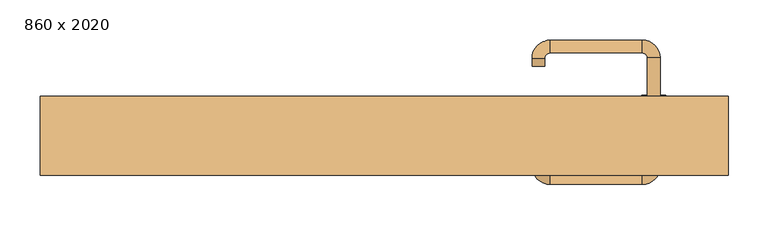
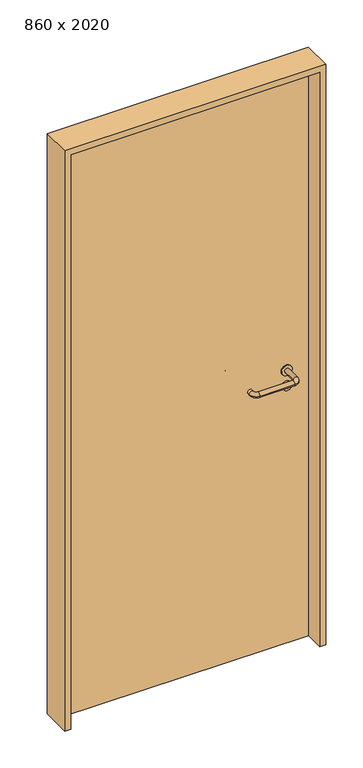
"""IFC4 building model written with IfcOpenShell, lengths in millimetres: door geometry, 860 x 2020."""

from ifc_helpers import new_model, si_unit, point, frame, frame_2d, origin, origin_with_axes, place, context, project, spatial, polyline, circle_curve, ellipse_curve, trimmed, segment, composite_curve, outline, extrude, source, transform, mapped, element, save
from ifc_brep_helpers import plane_surface, cylinder_surface, revolved_surface, advanced_brep


def door_860_x_2020_a3fae284(model_context):
    return source(origin(), model_context, "Body", "SolidModel", [
        extrude(outline(composite_curve([segment(trimmed(circle_curve(frame_2d((897.3605726, 337.0)), 15.0), [point((897.3605726, 352.0))], [point((897.3605726, 322.0))], False, "CARTESIAN"), True, "CONTINUOUS"), segment(trimmed(circle_curve(frame_2d((897.3605726, 337.0)), 15.0), [point((897.3605726, 322.0))], [point((897.3605726, 352.0))], False, "CARTESIAN"), True, "CONTINUOUS")], self_intersect=False), holes=[composite_curve([segment(trimmed(circle_curve(frame_2d((892.5833211, 336.9398032)), 2.0), [point((892.5833211, 338.9398032))], [point((892.5833211, 334.9398032))], True, "CARTESIAN"), True, "CONTINUOUS"), segment(polyline([(892.5833211, 334.9398032), (902.5833211, 334.9398032)]), True, "CONTINUOUS"), segment(trimmed(circle_curve(frame_2d((902.5833211, 336.9398032)), 2.0), [point((902.5833211, 334.9398032))], [point((902.5833211, 338.9398032))], True, "CARTESIAN"), True, "CONTINUOUS"), segment(polyline([(902.5833211, 338.9398032), (892.5833211, 338.9398032)]), True, "CONTINUOUS")], self_intersect=False)]), frame((0.0, 8.65, 0.0), z_axis=(0.0, 1.0, 0.0), x_axis=(0.0, 0.0, 1.0)), (0.0, 0.0, 1.0), 6.35),
        extrude(outline(composite_curve([segment(trimmed(circle_curve(frame_2d((950.0, 337.0)), 17.526), [point((950.0, 354.526))], [point((950.0, 319.474))], False, "CARTESIAN"), True, "CONTINUOUS"), segment(trimmed(circle_curve(frame_2d((950.0, 337.0)), 17.526), [point((950.0, 319.474))], [point((950.0, 354.526))], False, "CARTESIAN"), True, "CONTINUOUS")], self_intersect=False)), frame((0.0, 11.825, 0.0), z_axis=(0.0, 1.0, 0.0), x_axis=(0.0, 0.0, 1.0)), (0.0, 0.0, 1.0), 3.175),
        advanced_brep(
        [(345.0, 15.0, 950.0), (329.0, 15.0, 950.0), (329.0, -38.0, 950.0), (345.0, -38.0, 950.0), (322.8578644, -44.1421356, 950.0), (322.8578644, -60.1421356, 950.0), (207.8578644, -44.1421356, 950.0), (207.8578644, -60.1421356, 950.0), (201.008622, -37.2928932, 950.0), (185.008622, -37.2928932, 950.0), (185.008622, -27.2928932, 950.0), (201.008622, -27.2928932, 950.0)],
        [
            (0, 1, circle_curve(frame((337.0, 15.0, 950.0), z_axis=(0.0, 1.0, 0.0), x_axis=(-1.0, 0.0, 0.0)), 8.0)),
            (1, 0, circle_curve(frame((337.0, 15.0, 950.0), z_axis=(0.0, 1.0, 0.0), x_axis=(-1.0, 0.0, 0.0)), 8.0)),
            (1, 2),
            (2, 3, circle_curve(frame((337.0, -38.0, 950.0), z_axis=(0.0, 1.0, 0.0), x_axis=(-1.0, 0.0, 0.0)), 8.0)),
            (3, 0),
            (3, 2, circle_curve(frame((337.0, -38.0, 950.0), z_axis=(0.0, 1.0, 0.0), x_axis=(-1.0, 0.0, 0.0)), 8.0)),
            (4, 5, circle_curve(frame((322.8578644, -52.1421356, 950.0), z_axis=(1.0, 0.0, 0.0), x_axis=(0.0, 1.0, 0.0)), 8.0)),
            (5, 3, circle_curve(frame((322.8578644, -38.0, 950.0), z_axis=(0.0, 0.0, 1.0), x_axis=(1.0, 0.0, 0.0)), 22.1421356)),
            (2, 4, circle_curve(frame((322.8578644, -38.0, 950.0), z_axis=(0.0, 0.0, -1.0), x_axis=(1.0, 0.0, 0.0)), 6.1421356)),
            (5, 4, circle_curve(frame((322.8578644, -52.1421356, 950.0), z_axis=(1.0, 0.0, 0.0), x_axis=(0.0, 1.0, 0.0)), 8.0)),
            (4, 6),
            (6, 7, circle_curve(frame((207.8578644, -52.1421356, 950.0), z_axis=(1.0, 0.0, 0.0), x_axis=(0.0, 1.0, 0.0)), 8.0)),
            (7, 5),
            (7, 6, circle_curve(frame((207.8578644, -52.1421356, 950.0), z_axis=(1.0, 0.0, 0.0), x_axis=(0.0, 1.0, 0.0)), 8.0)),
            (8, 9, circle_curve(frame((193.008622, -37.2928932, 950.0), z_axis=(0.0, -1.0, 0.0), x_axis=(1.0, 0.0, 0.0)), 8.0)),
            (9, 7, circle_curve(frame((207.8578644, -37.2928932, 950.0), z_axis=(0.0, 0.0, 1.0), x_axis=(0.0, -1.0, 0.0)), 22.8492424)),
            (6, 8, circle_curve(frame((207.8578644, -37.2928932, 950.0), z_axis=(0.0, 0.0, -1.0), x_axis=(0.0, -1.0, 0.0)), 6.8492424)),
            (9, 8, circle_curve(frame((193.008622, -37.2928932, 950.0), z_axis=(0.0, -1.0, 0.0), x_axis=(1.0, 0.0, 0.0)), 8.0)),
            (10, 11, circle_curve(frame((193.008622, -27.2928932, 950.0), z_axis=(0.0, 1.0, 0.0), x_axis=(1.0, 0.0, 0.0)), 8.0)),
            (11, 10, circle_curve(frame((193.008622, -27.2928932, 950.0), z_axis=(0.0, 1.0, 0.0), x_axis=(1.0, 0.0, 0.0)), 8.0)),
            (8, 11),
            (10, 9),
        ],
        [
            plane_surface(frame((337.0, 15.0, 0.0), z_axis=(0.0, 1.0, 0.0), x_axis=(0.0, 0.0, 1.0))),
            cylinder_surface(frame((337.0, 15.0, 950.0), z_axis=(0.0, 1.0, 0.0), x_axis=(-1.0, 0.0, 0.0)), 8.0),
            revolved_surface(trimmed(ellipse_curve(frame((337.0, -38.0, 950.0), z_axis=(0.0, -1.0, 0.0), x_axis=(-1.0, 0.0, 0.0)), 8.0, 8.0), [point((345.0, -38.0, 950.0))], [point((329.0, -38.0, 950.0))], True, "CARTESIAN"), (322.8578644, -38.0, 0.0), (0.0, 0.0, 1.0)),
            revolved_surface(trimmed(ellipse_curve(frame((337.0, -38.0, 950.0), z_axis=(0.0, -1.0, 0.0), x_axis=(-1.0, 0.0, 0.0)), 8.0, 8.0), [point((329.0, -38.0, 950.0))], [point((345.0, -38.0, 950.0))], True, "CARTESIAN"), (322.8578644, -38.0, 0.0), (0.0, 0.0, 1.0)),
            cylinder_surface(frame((322.8578644, -52.1421356, 950.0), z_axis=(1.0, 0.0, 0.0), x_axis=(0.0, 1.0, 0.0)), 8.0),
            revolved_surface(trimmed(ellipse_curve(frame((207.8578644, -52.1421356, 950.0), z_axis=(-1.0, 0.0, 0.0), x_axis=(0.0, 1.0, 0.0)), 8.0, 8.0), [point((207.8578644, -60.1421356, 950.0))], [point((207.8578644, -44.1421356, 950.0))], True, "CARTESIAN"), (207.8578644, -37.2928932, 0.0), (0.0, 0.0, 1.0)),
            revolved_surface(trimmed(ellipse_curve(frame((207.8578644, -52.1421356, 950.0), z_axis=(-1.0, 0.0, 0.0), x_axis=(0.0, 1.0, 0.0)), 8.0, 8.0), [point((207.8578644, -44.1421356, 950.0))], [point((207.8578644, -60.1421356, 950.0))], True, "CARTESIAN"), (207.8578644, -37.2928932, 0.0), (0.0, 0.0, 1.0)),
            plane_surface(frame((193.008622, -27.2928932, 0.0), z_axis=(0.0, 1.0, 0.0), x_axis=(0.0, 0.0, 1.0))),
            cylinder_surface(frame((193.008622, -37.2928932, 950.0), z_axis=(0.0, -1.0, 0.0), x_axis=(1.0, 0.0, 0.0)), 8.0),
        ],
        [
            (0, [[1, 2]]),
            (1, [[3, 4, 5, -2]]),
            (1, [[-5, 6, -3, -1]]),
            (2, [[7, 8, -4, 9]]),
            (3, [[10, -9, -6, -8]]),
            (4, [[11, 12, 13, -7]]),
            (4, [[-13, 14, -11, -10]]),
            (5, [[15, 16, -12, 17]]),
            (6, [[18, -17, -14, -16]]),
            (7, [[19, 20]]),
            (8, [[21, -19, 22, -15]]),
            (8, [[-22, -20, -21, -18]]),
        ],
    ),
        extrude(outline(composite_curve([segment(trimmed(circle_curve(frame_2d((0.0, -15.0)), 15.0), [point((0.0, -30.0))], [point((0.0, 0.0))], False, "CARTESIAN"), True, "CONTINUOUS"), segment(trimmed(circle_curve(frame_2d((0.0, -15.0)), 15.0), [point((0.0, 0.0))], [point((0.0, -30.0))], False, "CARTESIAN"), True, "CONTINUOUS")], self_intersect=False), holes=[composite_curve([segment(trimmed(circle_curve(frame_2d((4.7772515, -14.9398032)), 2.0), [point((4.7772515, -16.9398032))], [point((4.7772515, -12.9398032))], True, "CARTESIAN"), True, "CONTINUOUS"), segment(polyline([(4.7772515, -12.9398032), (-5.2227485, -12.9398032)]), True, "CONTINUOUS"), segment(trimmed(circle_curve(frame_2d((-5.2227485, -14.9398032)), 2.0), [point((-5.2227485, -12.9398032))], [point((-5.2227485, -16.9398032))], True, "CARTESIAN"), True, "CONTINUOUS"), segment(polyline([(-5.2227485, -16.9398032), (4.7772515, -16.9398032)]), True, "CONTINUOUS")], self_intersect=False)]), frame((322.0, 45.0, 897.3605726), z_axis=(1.8870575173328306e-12, 1.0, 0.0), x_axis=(0.0, 0.0, -1.0)), (0.0, 0.0, 1.0), 6.35),
        extrude(outline(composite_curve([segment(trimmed(circle_curve(frame_2d((0.0, -17.526)), 17.526), [point((0.0, -35.052))], [point((0.0, 0.0))], False, "CARTESIAN"), True, "CONTINUOUS"), segment(trimmed(circle_curve(frame_2d((0.0, -17.526)), 17.526), [point((0.0, 0.0))], [point((0.0, -35.052))], False, "CARTESIAN"), True, "CONTINUOUS")], self_intersect=False)), frame((319.474, 45.0, 950.0), z_axis=(1.8870575173328306e-12, 1.0, 0.0), x_axis=(0.0, 0.0, -1.0)), (0.0, 0.0, 1.0), 3.175),
        advanced_brep(
        [(345.0, 45.0, 950.0), (329.0, 45.0, 950.0), (345.0, 98.0, 950.0), (329.0, 98.0, 950.0), (322.8578644, 104.1421356, 950.0), (322.8578644, 120.1421356, 950.0), (207.8578644, 120.1421356, 950.0), (207.8578644, 104.1421356, 950.0), (201.008622, 97.2928932, 950.0), (185.008622, 97.2928932, 950.0), (185.008622, 87.2928932, 950.0), (201.008622, 87.2928932, 950.0)],
        [
            (0, 1, circle_curve(frame((337.0, 45.0, 950.0), z_axis=(-1.888672253512351e-12, -1.0, 0.0), x_axis=(-1.0, 1.888672253512351e-12, 0.0)), 8.0)),
            (1, 0, circle_curve(frame((337.0, 45.0, 950.0), z_axis=(-1.888672253512351e-12, -1.0, 0.0), x_axis=(-1.0, 1.888672253512351e-12, 0.0)), 8.0)),
            (0, 2),
            (2, 3, circle_curve(frame((337.0, 98.0, 950.0), z_axis=(-1.888672253512351e-12, -1.0, 0.0), x_axis=(-1.0, 1.888672253512351e-12, 0.0)), 8.0)),
            (3, 1),
            (3, 2, circle_curve(frame((337.0, 98.0, 950.0), z_axis=(-1.888672253512351e-12, -1.0, 0.0), x_axis=(-1.0, 1.888672253512351e-12, 0.0)), 8.0)),
            (4, 3, circle_curve(frame((322.8578644, 98.0, 950.0), z_axis=(0.0, 0.0, -1.0), x_axis=(1.0, -1.880717803715015e-12, 0.0)), 6.1421356)),
            (2, 5, circle_curve(frame((322.8578644, 98.0, 950.0), z_axis=(0.0, 0.0, 1.0), x_axis=(1.0, -1.880717803715015e-12, 0.0)), 22.1421356)),
            (5, 4, circle_curve(frame((322.8578644, 112.1421356, 950.0), z_axis=(1.0, -1.913702061528922e-12, 0.0), x_axis=(-1.913702061528922e-12, -1.0, 0.0)), 8.0)),
            (4, 5, circle_curve(frame((322.8578644, 112.1421356, 950.0), z_axis=(1.0, -1.913702061528922e-12, 0.0), x_axis=(-1.913702061528922e-12, -1.0, 0.0)), 8.0)),
            (5, 6),
            (6, 7, circle_curve(frame((207.8578644, 112.1421356, 950.0), z_axis=(1.0, -1.913719828541269e-12, 0.0), x_axis=(-1.913719828541269e-12, -1.0, 0.0)), 8.0)),
            (7, 4),
            (7, 6, circle_curve(frame((207.8578644, 112.1421356, 950.0), z_axis=(1.0, -1.913719828541269e-12, 0.0), x_axis=(-1.913719828541269e-12, -1.0, 0.0)), 8.0)),
            (8, 7, circle_curve(frame((207.8578644, 97.2928932, 950.0), z_axis=(0.0, 0.0, -1.0), x_axis=(1.9120873253494017e-12, 1.0, 0.0)), 6.8492424)),
            (6, 9, circle_curve(frame((207.8578644, 97.2928932, 950.0), z_axis=(0.0, 0.0, 1.0), x_axis=(1.9120873253494017e-12, 1.0, 0.0)), 22.8492424)),
            (9, 8, circle_curve(frame((193.008622, 97.2928932, 950.0), z_axis=(1.890448610351751e-12, 1.0, 0.0), x_axis=(1.0, -1.890448610351751e-12, 0.0)), 8.0)),
            (8, 9, circle_curve(frame((193.008622, 97.2928932, 950.0), z_axis=(1.8888942981172756e-12, 1.0, 0.0), x_axis=(1.0, -1.8888942981172756e-12, 0.0)), 8.0)),
            (10, 11, circle_curve(frame((193.008622, 87.2928932, 950.0), z_axis=(-1.8903642334018795e-12, -1.0, 0.0), x_axis=(1.0, -1.8903642334018795e-12, 0.0)), 8.0)),
            (11, 10, circle_curve(frame((193.008622, 87.2928932, 950.0), z_axis=(-1.8903642334018795e-12, -1.0, 0.0), x_axis=(1.0, -1.8903642334018795e-12, 0.0)), 8.0)),
            (9, 10),
            (11, 8),
        ],
        [
            plane_surface(frame((337.0, 45.0, 0.0), z_axis=(-1.8870575173328306e-12, -1.0, 0.0), x_axis=(0.0, 0.0, 1.0))),
            cylinder_surface(frame((337.0, 45.0, 950.0), z_axis=(-1.888672253512351e-12, -1.0, 0.0), x_axis=(-1.0, 1.888672253512351e-12, 0.0)), 8.0),
            revolved_surface(trimmed(ellipse_curve(frame((337.0, 98.0, 950.0), z_axis=(-1.8823325398945356e-12, -1.0, 0.0), x_axis=(-1.0, 1.8823325398945356e-12, 0.0)), 8.0, 8.0), [point((345.0, 98.0, 950.0))], [point((329.0, 98.0, 950.0))], True, "CARTESIAN"), (322.8578644, 98.0, 0.0), (0.0, 0.0, 1.0)),
            revolved_surface(trimmed(ellipse_curve(frame((337.0, 98.0, 950.0), z_axis=(-1.8823325398945356e-12, -1.0, 0.0), x_axis=(-1.0, 1.8823325398945356e-12, 0.0)), 8.0, 8.0), [point((329.0, 98.0, 950.0))], [point((345.0, 98.0, 950.0))], True, "CARTESIAN"), (322.8578644, 98.0, 0.0), (0.0, 0.0, 1.0)),
            cylinder_surface(frame((322.8578644, 112.1421356, 950.0), z_axis=(1.0, -1.913719828541269e-12, 0.0), x_axis=(-1.913719828541269e-12, -1.0, 0.0)), 8.0),
            revolved_surface(trimmed(ellipse_curve(frame((207.8578644, 112.1421356, 950.0), z_axis=(1.0, -1.913702061528922e-12, 0.0), x_axis=(-1.913702061528922e-12, -1.0, 0.0)), 8.0, 8.0), [point((207.8578644, 120.1421356, 950.0))], [point((207.8578644, 104.1421356, 950.0))], True, "CARTESIAN"), (207.8578644, 97.2928932, 0.0), (0.0, 0.0, 1.0)),
            revolved_surface(trimmed(ellipse_curve(frame((207.8578644, 112.1421356, 950.0), z_axis=(1.0, -1.913702061528922e-12, 0.0), x_axis=(-1.913702061528922e-12, -1.0, 0.0)), 8.0, 8.0), [point((207.8578644, 104.1421356, 950.0))], [point((207.8578644, 120.1421356, 950.0))], True, "CARTESIAN"), (207.8578644, 97.2928932, 0.0), (0.0, 0.0, 1.0)),
            plane_surface(frame((193.008622, 87.2928932, 0.0), z_axis=(-1.8887494972223595e-12, -1.0, 0.0), x_axis=(0.0, 0.0, 1.0))),
            cylinder_surface(frame((193.008622, 97.2928932, 950.0), z_axis=(1.8903642334018795e-12, 1.0, 0.0), x_axis=(1.0, -1.8903642334018795e-12, 0.0)), 8.0),
        ],
        [
            (0, [[1, 2]]),
            (1, [[-1, 3, 4, 5]]),
            (1, [[-2, -5, 6, -3]]),
            (2, [[7, -4, 8, 9]]),
            (3, [[-8, -6, -7, 10]]),
            (4, [[-9, 11, 12, 13]]),
            (4, [[-10, -13, 14, -11]]),
            (5, [[15, -12, 16, 17]]),
            (6, [[-16, -14, -15, 18]]),
            (7, [[19, 20]]),
            (8, [[-17, 21, -20, 22]]),
            (8, [[-18, -22, -19, -21]]),
        ],
    ),
        extrude(outline(polyline([(2000.0, 410.0), (0.0, 410.0), (0.0, 430.0), (2020.0, 430.0), (2020.0, -430.0), (0.0, -430.0), (0.0, -410.0), (2000.0, -410.0), (2000.0, 410.0)])), frame((0.0, -49.0, 0.0), z_axis=(0.0, 1.0, 0.0), x_axis=(0.0, 0.0, 1.0)), (0.0, 0.0, 1.0), 99.0),
        extrude(outline(polyline([(-410.0, 45.0), (410.0, 45.0), (410.0, 15.0), (-410.0, 15.0), (-410.0, 45.0)])), origin_with_axes(), (0.0, 0.0, 1.0), 2000.0),
    ])


if __name__ == "__main__":
    model = new_model("IFC4")
    model_context = context("Model", 3, world=origin())
    ifc_project = project(units=[si_unit("LENGTHUNIT", "METRE", prefix="MILLI")], contexts=[model_context])
    site = spatial("IfcSite", under=ifc_project)
    building = spatial("IfcBuilding", under=site)
    placement = place(None, origin())
    door_860_x_2020_shape = door_860_x_2020_a3fae284(model_context)
    element("IfcDoor", 1, ObjectType="860 x 2020", at=placement, inside=building, context=model_context, shape_type="MappedRepresentation", body=[
        mapped(door_860_x_2020_shape, transform((0.0, 0.0, 0.0), x_axis=(1.0, 0.0, 0.0), y_axis=(0.0, 1.0, 0.0), z_axis=(0.0, 0.0, 1.0))),
    ])
    save(model, "model.ifc")
